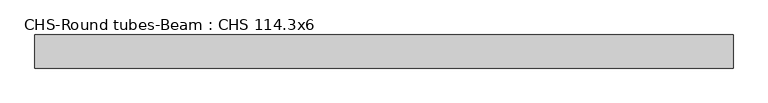
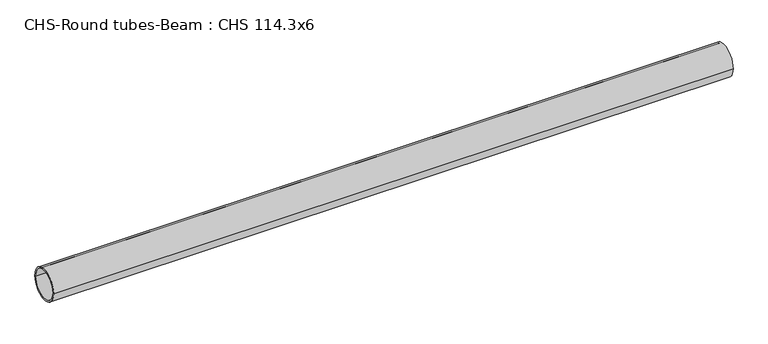
"""IFC4 building model written with IfcOpenShell, lengths in millimetres: beam geometry, CHS-Round tubes-Beam : CHS 114.3x6."""

import ifcopenshell
import ifcopenshell.guid

model = None  # the IFC model being written
_history = None  # IfcOwnerHistory: only IFC2X3 demands one
_inside = {}  # id of a spatial element -> (the spatial element, [elements in it])
_under = {}  # id of a project, library or spatial element -> (it, [spatial elements below it])
_declared = {}  # id of a project -> (the project, [libraries it declares])
_typed = {}  # id of a type object -> (the type object, [elements of that type])
_made_of = {}  # id of a material, layer set ... -> (it, [elements and type objects made of it])


def new_model(schema):
    """Start an empty IFC model of exactly this schema.

    Asked for "IFC4X3", IfcOpenShell would pick the latest addendum, in which some entities
    have other attributes; the version numbers below select the first issue.
    IFC2X3 requires an IfcOwnerHistory on every rooted entity: one is made here for all.
    """
    global model, _history
    if schema == "IFC4X3":
        model = ifcopenshell.file(schema_version=(4, 3, 0, 0))
    else:
        model = ifcopenshell.file(schema=schema)
    _inside.clear()
    _under.clear()
    _declared.clear()
    _typed.clear()
    _made_of.clear()
    _history = None
    if model.schema == "IFC2X3":
        org = make("IfcOrganization", Name="unknown")
        user = make(
            "IfcPersonAndOrganization",
            ThePerson=make("IfcPerson", FamilyName="unknown"),
            TheOrganization=org,
        )
        app = make(
            "IfcApplication",
            ApplicationDeveloper=org,
            Version="unknown",
            ApplicationFullName="unknown",
            ApplicationIdentifier="unknown",
        )
        _history = make(
            "IfcOwnerHistory",
            OwningUser=user,
            OwningApplication=app,
            ChangeAction="ADDED",
            CreationDate=0,
        )
    return model


def make(cls, **values):
    """One entity of the class cls with the attributes given. An attribute that is None is left unset."""
    return model.create_entity(
        cls, **{name: value for name, value in values.items() if value is not None}
    )


def rooted(cls, **values):
    """An entity with a GlobalId (a new one), such as an element, a storey or a relation."""
    return make(cls, GlobalId=ifcopenshell.guid.new(), OwnerHistory=_history, **values)


def si_unit(unit_type, name, prefix=None):
    """IfcSIUnit, for example si_unit("LENGTHUNIT", "METRE", prefix="MILLI")."""
    return make("IfcSIUnit", UnitType=unit_type, Prefix=prefix, Name=name)


def assignment(units):
    """IfcUnitAssignment: the units of a project."""
    return None if units is None else make("IfcUnitAssignment", Units=units)


def point(xyz):
    """IfcCartesianPoint."""
    return None if xyz is None else make("IfcCartesianPoint", Coordinates=xyz)


def direction(xyz):
    """IfcDirection."""
    return None if xyz is None else make("IfcDirection", DirectionRatios=xyz)


def frame(location, z_axis=None, x_axis=None):
    """IfcAxis2Placement3D, a coordinate frame: its origin and axes. An axis left out is left unset."""
    return make(
        "IfcAxis2Placement3D",
        Location=point(location),
        Axis=direction(z_axis),
        RefDirection=direction(x_axis),
    )


def frame_2d(location, x_axis=None):
    """IfcAxis2Placement2D, a coordinate frame in the plane: its origin and x axis."""
    return make(
        "IfcAxis2Placement2D", Location=point(location), RefDirection=direction(x_axis)
    )


def origin():
    """The frame at (0, 0, 0) with its axes left unset."""
    return frame((0.0, 0.0, 0.0))


def origin_2d():
    """The frame at (0, 0) in the plane with its x axis left unset."""
    return frame_2d((0.0, 0.0))


def place(relative_to, where):
    """IfcLocalPlacement: puts the frame where relative to a parent placement (None: the world)."""
    return make(
        "IfcLocalPlacement", PlacementRelTo=relative_to, RelativePlacement=where
    )


def context(
    kind, dimensions, precision=None, world=None, true_north=None, identifier=None
):
    """IfcGeometricRepresentationContext, for example the 3D "Model" context."""
    return make(
        "IfcGeometricRepresentationContext",
        ContextIdentifier=identifier,
        ContextType=kind,
        CoordinateSpaceDimension=dimensions,
        Precision=precision,
        WorldCoordinateSystem=world,
        TrueNorth=true_north,
    )


def project(units=None, contexts=None):
    """IfcProject with its units and contexts."""
    return rooted(
        "IfcProject",
        Name="project",
        RepresentationContexts=contexts,
        UnitsInContext=assignment(units),
    )


def spatial(cls, under=None, at=None, **own):
    """A site, building, storey or space (cls), placed at a placement, below another one or the project."""
    s = rooted(cls, ObjectPlacement=at, **own)
    if under is not None:
        _under.setdefault(under.id(), (under, []))[1].append(s)
    return s


def circle_curve(where, radius):
    """IfcCircle in the frame where."""
    return make("IfcCircle", Position=where, Radius=radius)


def trimmed(basis, trim1, trim2, sense, master):
    """IfcTrimmedCurve: the piece of a basis curve between two trims."""
    return make(
        "IfcTrimmedCurve",
        BasisCurve=basis,
        Trim1=trim1,
        Trim2=trim2,
        SenseAgreement=sense,
        MasterRepresentation=master,
    )


def segment(curve, same_sense, transition):
    """IfcCompositeCurveSegment."""
    return make(
        "IfcCompositeCurveSegment",
        Transition=transition,
        SameSense=same_sense,
        ParentCurve=curve,
    )


def composite_curve(segments, self_intersect=None):
    """IfcCompositeCurve: segments joined end to end."""
    return make("IfcCompositeCurve", Segments=segments, SelfIntersect=self_intersect)


def outline(outer, holes=None, kind="AREA"):
    """IfcArbitraryClosedProfileDef: a profile drawn as a closed curve; with holes, ...WithVoids."""
    if holes is None:
        return make("IfcArbitraryClosedProfileDef", ProfileType=kind, OuterCurve=outer)
    return make(
        "IfcArbitraryProfileDefWithVoids",
        ProfileType=kind,
        OuterCurve=outer,
        InnerCurves=holes,
    )


def extrude(swept, where, along, depth):
    """IfcExtrudedAreaSolid: the profile swept, set in the frame where, extruded along a direction by depth."""
    return make(
        "IfcExtrudedAreaSolid",
        SweptArea=swept,
        Position=where,
        ExtrudedDirection=direction(along),
        Depth=depth,
    )


def shape(context_of_items, identifier, shape_type, items):
    """IfcShapeRepresentation: the items that make up one representation, for example the "Body"."""
    return make(
        "IfcShapeRepresentation",
        ContextOfItems=context_of_items,
        RepresentationIdentifier=identifier,
        RepresentationType=shape_type,
        Items=items,
    )


def source(mapping_origin, context_of_items, identifier, shape_type, items):
    """IfcRepresentationMap: a shape defined once, which mapped items show again and again."""
    return make(
        "IfcRepresentationMap",
        MappingOrigin=mapping_origin,
        MappedRepresentation=shape(context_of_items, identifier, shape_type, items),
    )


def transform(
    local_origin,
    x_axis=None,
    y_axis=None,
    z_axis=None,
    scale=None,
    scale2=None,
    scale3=None,
    uniform=True,
):
    """IfcCartesianTransformationOperator3D, or its non-uniform kind. x_axis, y_axis, z_axis: its Axis1, 2, 3."""
    if uniform:
        return make(
            "IfcCartesianTransformationOperator3D",
            Axis1=direction(x_axis),
            Axis2=direction(y_axis),
            LocalOrigin=point(local_origin),
            Scale=scale,
            Axis3=direction(z_axis),
        )
    return make(
        "IfcCartesianTransformationOperator3DnonUniform",
        Axis1=direction(x_axis),
        Axis2=direction(y_axis),
        LocalOrigin=point(local_origin),
        Scale=scale,
        Axis3=direction(z_axis),
        Scale2=scale2,
        Scale3=scale3,
    )


def mapped(mapping_source, mapping_target):
    """IfcMappedItem: shows the shape of a source again, moved by a transform."""
    return make(
        "IfcMappedItem", MappingSource=mapping_source, MappingTarget=mapping_target
    )


def made_of(thing, what):
    """Note that an element or type object is made of a material, layer set ...; save() writes the relation."""
    if what is not None:
        _made_of.setdefault(what.id(), (what, []))[1].append(thing)
    return thing


def element(
    cls,
    number,
    at=None,
    inside=None,
    cuts=None,
    type_object=None,
    material=None,
    context=None,
    identifier="Body",
    shape_type=None,
    held_by="IfcProductDefinitionShape",
    body=None,
    shapes=None,
    **own,
):
    """One element of the class cls, such as IfcWall. Its Tag is "e" and its number.

    at: its placement. inside: the storey or other place that contains it. cuts: it is an
    opening in that element (IfcRelVoidsElement). A single representation is given by context,
    identifier, shape_type and body (its items); several are given by shapes. held_by: the class
    of the entity that holds the representations. save() writes the other relations.
    """
    e = rooted(cls, Tag="e%d" % number, ObjectPlacement=at, **own)
    if body is not None:
        shapes = [shape(context, identifier, shape_type, body)]
    if shapes is not None:
        e.Representation = make(held_by, Representations=shapes)
    if inside is not None:
        _inside.setdefault(inside.id(), (inside, []))[1].append(e)
    if cuts is not None:
        rooted(
            "IfcRelVoidsElement", RelatingBuildingElement=cuts, RelatedOpeningElement=e
        )
    if type_object is not None:
        _typed.setdefault(type_object.id(), (type_object, []))[1].append(e)
    return made_of(e, material)


def aggregate(whole, parts):
    """IfcRelAggregates: a whole, such as a stair, and the parts it consists of."""
    return rooted("IfcRelAggregates", RelatingObject=whole, RelatedObjects=parts)


def save(model, path):
    """Write the relations noted so far, then the file.

    IfcRelAggregates (storeys below a building ...), IfcRelContainedInSpatialStructure (elements
    in a storey), IfcRelDefinesByType, IfcRelAssociatesMaterial and IfcRelDeclares: one each for
    every whole, place, type object, material and project.
    """
    for whole, parts in _under.values():
        aggregate(whole, parts)
    for where, things in _inside.values():
        rooted(
            "IfcRelContainedInSpatialStructure",
            RelatedElements=things,
            RelatingStructure=where,
        )
    for kind, things in _typed.values():
        rooted("IfcRelDefinesByType", RelatedObjects=things, RelatingType=kind)
    for what, things in _made_of.values():
        rooted("IfcRelAssociatesMaterial", RelatedObjects=things, RelatingMaterial=what)
    for by, libraries in _declared.values():
        rooted("IfcRelDeclares", RelatingContext=by, RelatedDefinitions=libraries)
    model.write(path)


def chs_round_tubes_beam_chs_114_3x6_071686b6(model_context):
    return source(origin(), model_context, "Body", "SweptSolid", [
        extrude(outline(composite_curve([segment(trimmed(circle_curve(origin_2d(), 57.15), [point((57.15, 0.0))], [point((-57.15, 0.0))], False, "CARTESIAN"), True, "CONTINUOUS"), segment(trimmed(circle_curve(origin_2d(), 57.15), [point((-57.15, 0.0))], [point((57.15, 0.0))], False, "CARTESIAN"), True, "CONTINUOUS")], self_intersect=False), holes=[composite_curve([segment(trimmed(circle_curve(origin_2d(), 51.15), [point((51.15, 0.0))], [point((-51.15, 0.0))], True, "CARTESIAN"), True, "CONTINUOUS"), segment(trimmed(circle_curve(origin_2d(), 51.15), [point((-51.15, 0.0))], [point((51.15, 0.0))], True, "CARTESIAN"), True, "CONTINUOUS")], self_intersect=False)]), frame((-1170.7857235, 0.0, 0.0), z_axis=(1.0, 0.0, 0.0), x_axis=(0.0, 1.0, 0.0)), (0.0, 0.0, 1.0), 2407.8639586),
    ])


if __name__ == "__main__":
    model = new_model("IFC4")
    model_context = context("Model", 3, world=origin())
    ifc_project = project(units=[si_unit("LENGTHUNIT", "METRE", prefix="MILLI")], contexts=[model_context])
    site = spatial("IfcSite", under=ifc_project)
    building = spatial("IfcBuilding", under=site)
    placement = place(None, origin())
    chs_round_tubes_beam_chs_114_3x6_shape = chs_round_tubes_beam_chs_114_3x6_071686b6(model_context)
    element("IfcBeam", 1, ObjectType="CHS-Round tubes-Beam : CHS 114.3x6", at=placement, inside=building, context=model_context, shape_type="MappedRepresentation", body=[
        mapped(chs_round_tubes_beam_chs_114_3x6_shape, transform((0.0, 0.0, 0.0), x_axis=(1.0, 0.0, 0.0), y_axis=(0.0, 1.0, 0.0), z_axis=(0.0, 0.0, 1.0))),
    ])
    save(model, "model.ifc")
